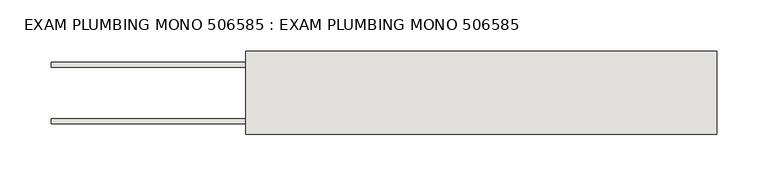
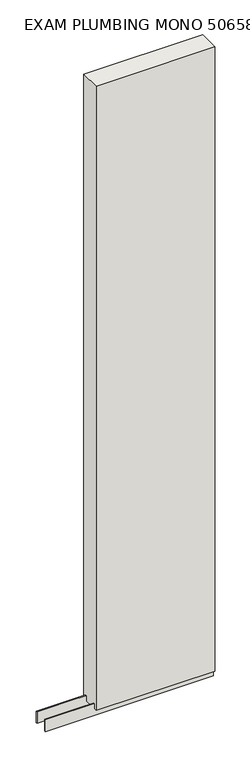
"""IFC4 building model written with IfcOpenShell, lengths in millimetres: wall geometry, EXAM PLUMBING MONO 506585 : EXAM PLUMBING MONO 506585."""

from ifc_helpers import new_model, si_unit, frame, origin, place, context, project, spatial, polyline, outline, extrude, source, transform, mapped, element, save


def exam_plumbing_mono_506585_exam_plumbing_mono_506585_5039eef8(model_context):
    return source(origin(), model_context, "Body", "SweptSolid", [
        extrude(outline(polyline([(53528.055504, -53342.677668), (53525.515504, -53342.677668), (53525.515504, -53340.137668), (53528.055504, -53340.137668), (53528.055504, -53342.677668)])), frame((0.0, 0.0, 4419.6), z_axis=(0.0, 0.0, 1.0), x_axis=(1.0, 0.0, 0.0)), (0.0, 0.0, 1.0), 2.54),
        extrude(outline(polyline([(53986.403965, -53316.330121), (53335.020457, -53316.330121), (53335.020457, -53311.245168), (53986.403965, -53311.245168), (53986.403965, -53316.330121)])), frame((0.0, 0.0, 4418.6602), z_axis=(0.0, 0.0, 1.0), x_axis=(1.0, 0.0, 0.0)), (0.0, 0.0, 1.0), 47.625),
        extrude(outline(polyline([(53986.403965, -53316.330121), (53335.020457, -53316.330121), (53335.020457, -53311.245168), (53986.403965, -53311.245168), (53986.403965, -53316.330121)])), frame((0.0, 0.0, 4418.6602), z_axis=(0.0, 0.0, 1.0), x_axis=(1.0, 0.0, 0.0)), (0.0, 0.0, 1.0), 47.625),
        extrude(outline(polyline([(53335.020457, -53366.4914126), (53986.403965, -53366.4914126), (53986.403965, -53371.570168), (53335.020457, -53371.570168), (53335.020457, -53366.4914126)])), frame((0.0, 0.0, 4418.6602), z_axis=(0.0, 0.0, 1.0), x_axis=(1.0, 0.0, 0.0)), (0.0, 0.0, 1.0), 47.625),
        extrude(outline(polyline([(53335.020457, -53366.4914126), (53986.403965, -53366.4914126), (53986.403965, -53371.570168), (53335.020457, -53371.570168), (53335.020457, -53366.4914126)])), frame((0.0, 0.0, 4418.6602), z_axis=(0.0, 0.0, 1.0), x_axis=(1.0, 0.0, 0.0)), (0.0, 0.0, 1.0), 47.625),
        extrude(outline(polyline([(53986.403965, -53300.7589812), (53986.403965, -53382.0625524), (53525.520457, -53382.0625524), (53525.520457, -53300.7589812), (53986.403965, -53300.7589812)])), frame((0.0, 0.0, 4445.0), z_axis=(0.0, 0.0, 1.0), x_axis=(1.0, 0.0, 0.0)), (0.0, 0.0, 1.0), 2562.4536762),
    ])


if __name__ == "__main__":
    model = new_model("IFC4")
    model_context = context("Model", 3, world=origin())
    ifc_project = project(units=[si_unit("LENGTHUNIT", "METRE", prefix="MILLI")], contexts=[model_context])
    site = spatial("IfcSite", under=ifc_project)
    building = spatial("IfcBuilding", under=site)
    placement = place(None, origin())
    exam_plumbing_mono_506585_exam_plumbing_mono_506585_shape = exam_plumbing_mono_506585_exam_plumbing_mono_506585_5039eef8(model_context)
    element("IfcWall", 1, ObjectType="EXAM PLUMBING MONO 506585 : EXAM PLUMBING MONO 506585", at=placement, inside=building, context=model_context, shape_type="MappedRepresentation", body=[
        mapped(exam_plumbing_mono_506585_exam_plumbing_mono_506585_shape, transform((0.0, 0.0, 0.0), x_axis=(1.0, 0.0, 0.0), y_axis=(0.0, 1.0, 0.0), z_axis=(0.0, 0.0, 1.0))),
    ])
    save(model, "model.ifc")
